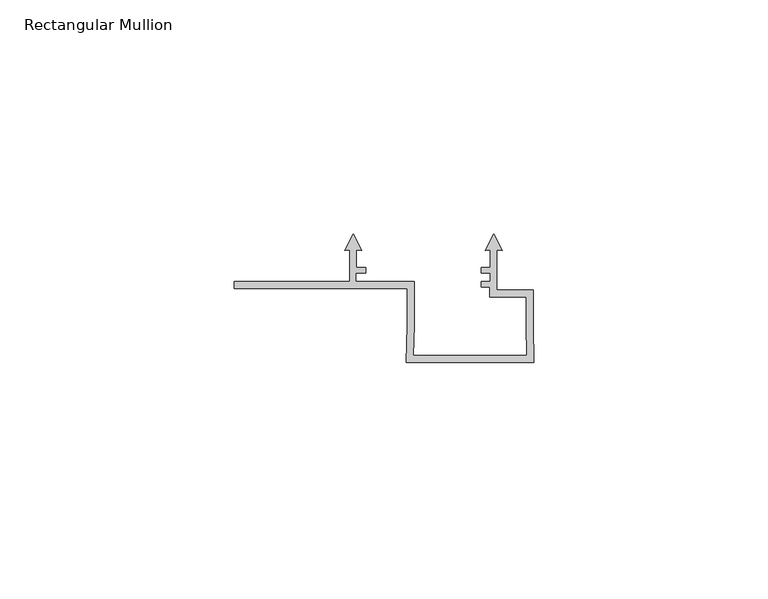
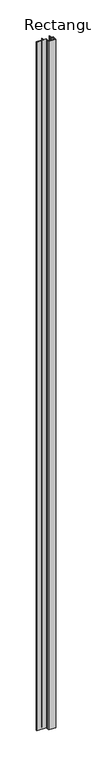
"""IFC4 building model written with IfcOpenShell, lengths in millimetres: member geometry, Rectangular Mullion."""

from ifc_helpers import new_model, si_unit, frame, origin, place, context, project, spatial, polyline, outline, extrude, source, transform, mapped, element, save


def rectangular_mullion_12ba08f8(model_context):
    return source(origin(), model_context, "Body", "SweptSolid", [
        extrude(outline(polyline([(0.0, -52.1000001), (-27.279476, -52.1000001), (-27.1352165, -44.1039069), (-27.1353052, -36.2004291), (-64.1, -36.2004291), (-64.1, -34.7056679), (-39.3351463, -34.7056679), (-39.3351463, -28.0038207), (-40.4508816, -28.1014348), (-38.635145, -24.5378474), (-36.8194083, -28.1014348), (-37.9351461, -28.0038204), (-37.9351461, -31.6999997), (-35.942882, -31.6999997), (-35.942882, -32.9008281), (-38.0351451, -32.9008281), (-38.0351451, -34.6999997), (-25.6351455, -34.6999997), (-25.6351455, -44.1117002), (-25.7521689, -50.5999998), (-1.5181226, -50.5999998), (-1.6351135, -44.1153631), (-1.6351472, -38.0997951), (-9.4446143, -38.0997951), (-9.4446143, -35.9015214), (-11.3232242, -35.9015214), (-11.3232242, -34.6999954), (-9.344327, -34.6999954), (-9.344327, -32.9004386), (-11.3227094, -32.9004386), (-11.3227094, -31.698351), (-9.3351463, -31.698351), (-9.3351463, -28.0038206), (-10.4508827, -28.1014348), (-8.6351462, -24.5378474), (-6.8194096, -28.1014348), (-7.9351461, -28.0038205), (-7.9351461, -36.5995654), (-0.1443272, -36.5995654), (-0.1443272, -44.0977912), (0.0, -52.1000001)])), frame((0.0, 0.0, -2800.0), z_axis=(0.0, 0.0, 1.0), x_axis=(1.0, 0.0, 0.0)), (0.0, 0.0, 1.0), 2800.0),
    ])


if __name__ == "__main__":
    model = new_model("IFC4")
    model_context = context("Model", 3, world=origin())
    ifc_project = project(units=[si_unit("LENGTHUNIT", "METRE", prefix="MILLI")], contexts=[model_context])
    site = spatial("IfcSite", under=ifc_project)
    building = spatial("IfcBuilding", under=site)
    placement = place(None, origin())
    rectangular_mullion_shape = rectangular_mullion_12ba08f8(model_context)
    element("IfcMember", 1, ObjectType="Rectangular Mullion", at=placement, inside=building, context=model_context, shape_type="MappedRepresentation", body=[
        mapped(rectangular_mullion_shape, transform((0.0, 0.0, 0.0), x_axis=(1.0, 0.0, 0.0), y_axis=(0.0, 1.0, 0.0), z_axis=(0.0, 0.0, 1.0))),
    ])
    save(model, "model.ifc")
